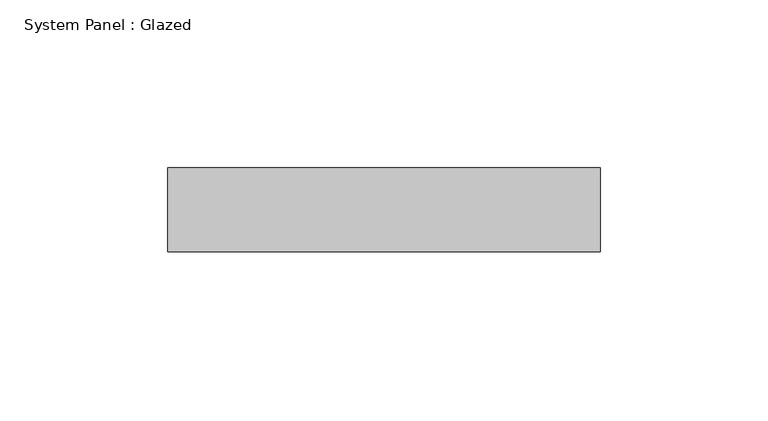
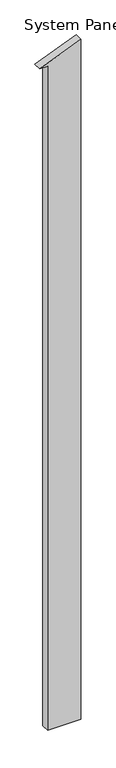
"""IFC4 building model written with IfcOpenShell, lengths in millimetres: plate geometry, System Panel : Glazed."""

from ifc_helpers import new_model, si_unit, frame, origin, place, context, project, spatial, polyline, outline, extrude, source, transform, mapped, element, save


def system_panel_glazed_05dd0970(model_context):
    return source(origin(), model_context, "Body", "SweptSolid", [
        extrude(outline(polyline([(0.0, -39.5), (0.0, 64.5), (2246.0677965, 64.5), (2194.6864406, -64.5), (2194.6864406, -39.5), (0.0, -39.5)])), frame((0.0, 24.5, 0.0), z_axis=(0.0, 1.0, 0.0), x_axis=(0.0, 0.0, 1.0)), (0.0, 0.0, 1.0), 25.0),
    ])


if __name__ == "__main__":
    model = new_model("IFC4")
    model_context = context("Model", 3, world=origin())
    ifc_project = project(units=[si_unit("LENGTHUNIT", "METRE", prefix="MILLI")], contexts=[model_context])
    site = spatial("IfcSite", under=ifc_project)
    building = spatial("IfcBuilding", under=site)
    placement = place(None, origin())
    system_panel_glazed_shape = system_panel_glazed_05dd0970(model_context)
    element("IfcPlate", 1, ObjectType="System Panel : Glazed", at=placement, inside=building, context=model_context, shape_type="MappedRepresentation", body=[
        mapped(system_panel_glazed_shape, transform((0.0, 0.0, 0.0), x_axis=(1.0, 0.0, 0.0), y_axis=(0.0, 1.0, 0.0), z_axis=(0.0, 0.0, 1.0))),
    ])
    save(model, "model.ifc")
